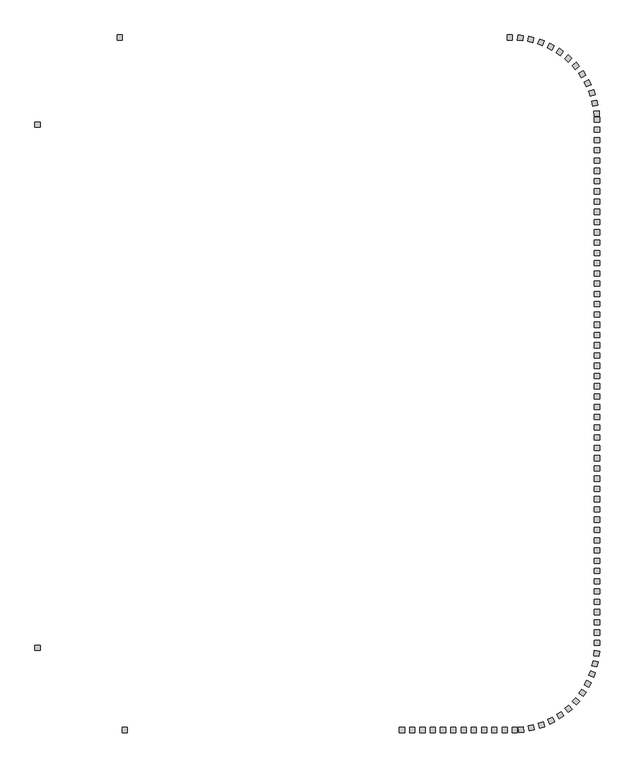
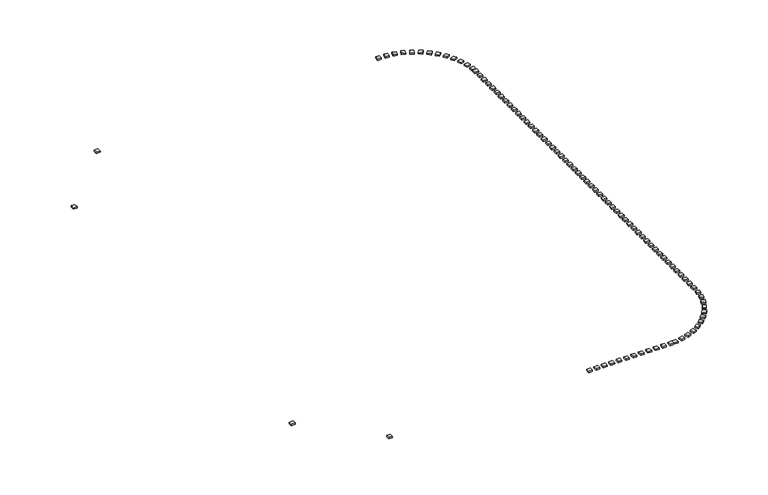
"""IFC4 building model written with IfcOpenShell, lengths in millimetres: railing geometry."""

from ifc_helpers import new_model, si_unit, origin, origin_with_axes, place, context, project, spatial, polyline, outline, extrude, source, transform, mapped, element, save


def railing_7f26f9a0(model_context):
    return source(origin(), model_context, "Body", "SweptSolid", [
        extrude(outline(polyline([(-42631.1414863, -127795.8215503), (-42631.1414863, -127295.8215503), (-42131.1414863, -127295.8215503), (-42131.1414863, -127795.8215503), (-42631.1414863, -127795.8215503)])), origin_with_axes(), (0.0, 0.0, 1.0), 200.0),
        extrude(outline(polyline([(-41631.1414863, -127795.8215503), (-41631.1414863, -127295.8215503), (-41131.1414863, -127295.8215503), (-41131.1414863, -127795.8215503), (-41631.1414863, -127795.8215503)])), origin_with_axes(), (0.0, 0.0, 1.0), 200.0),
        extrude(outline(polyline([(-40631.1414863, -127795.8215503), (-40631.1414863, -127295.8215503), (-40131.1414863, -127295.8215503), (-40131.1414863, -127795.8215503), (-40631.1414863, -127795.8215503)])), origin_with_axes(), (0.0, 0.0, 1.0), 200.0),
        extrude(outline(polyline([(-39631.1414863, -127795.8215503), (-39631.1414863, -127295.8215503), (-39131.1414863, -127295.8215503), (-39131.1414863, -127795.8215503), (-39631.1414863, -127795.8215503)])), origin_with_axes(), (0.0, 0.0, 1.0), 200.0),
        extrude(outline(polyline([(-38631.1414863, -127795.8215503), (-38631.1414863, -127295.8215503), (-38131.1414863, -127295.8215503), (-38131.1414863, -127795.8215503), (-38631.1414863, -127795.8215503)])), origin_with_axes(), (0.0, 0.0, 1.0), 200.0),
        extrude(outline(polyline([(-37631.1414863, -127795.8215503), (-37631.1414863, -127295.8215503), (-37131.1414863, -127295.8215503), (-37131.1414863, -127795.8215503), (-37631.1414863, -127795.8215503)])), origin_with_axes(), (0.0, 0.0, 1.0), 200.0),
        extrude(outline(polyline([(-36631.1414863, -127795.8215503), (-36631.1414863, -127295.8215503), (-36131.1414863, -127295.8215503), (-36131.1414863, -127795.8215503), (-36631.1414863, -127795.8215503)])), origin_with_axes(), (0.0, 0.0, 1.0), 200.0),
        extrude(outline(polyline([(-35631.1414863, -127795.8215503), (-35631.1414863, -127295.8215503), (-35131.1414863, -127295.8215503), (-35131.1414863, -127795.8215503), (-35631.1414863, -127795.8215503)])), origin_with_axes(), (0.0, 0.0, 1.0), 200.0),
        extrude(outline(polyline([(-34631.1414863, -127795.8215503), (-34631.1414863, -127295.8215503), (-34131.1414863, -127295.8215503), (-34131.1414863, -127795.8215503), (-34631.1414863, -127795.8215503)])), origin_with_axes(), (0.0, 0.0, 1.0), 200.0),
        extrude(outline(polyline([(-33631.1414863, -127795.8215503), (-33631.1414863, -127295.8215503), (-33131.1414863, -127295.8215503), (-33131.1414863, -127795.8215503), (-33631.1414863, -127795.8215503)])), origin_with_axes(), (0.0, 0.0, 1.0), 200.0),
        extrude(outline(polyline([(-32631.1414863, -127795.8215503), (-32631.1414863, -127295.8215503), (-32131.1414863, -127295.8215503), (-32131.1414863, -127795.8215503), (-32631.1414863, -127795.8215503)])), origin_with_axes(), (0.0, 0.0, 1.0), 200.0),
        extrude(outline(polyline([(-31029.8752721, -127774.5289364), (-31065.2438729, -127275.7814431), (-30566.4963796, -127240.4128423), (-30531.1277788, -127739.1603356), (-31029.8752721, -127774.5289364)])), origin_with_axes(), (0.0, 0.0, 1.0), 200.0),
        extrude(outline(polyline([(-29977.4859684, -127633.412535), (-30074.7598224, -127142.9660065), (-29584.3132938, -127045.6921525), (-29487.0394398, -127536.138681), (-29977.4859684, -127633.412535)])), origin_with_axes(), (0.0, 0.0, 1.0), 200.0),
        extrude(outline(polyline([(-28950.9014059, -127362.1908148), (-29108.5625871, -126887.6985051), (-28634.0702774, -126730.0373239), (-28476.4090962, -127204.5296336), (-28950.9014059, -127362.1908148)])), origin_with_axes(), (0.0, 0.0, 1.0), 200.0),
        extrude(outline(polyline([(-27966.1410935, -126965.0961001), (-28181.7293519, -126513.9623031), (-27730.5955548, -126298.3740447), (-27515.0072964, -126749.5078417), (-27966.1410935, -126965.0961001)])), origin_with_axes(), (0.0, 0.0, 1.0), 200.0),
        extrude(outline(polyline([(-27038.5718864, -126448.3249211), (-27308.7230393, -126027.5894287), (-26887.9875469, -125757.4382758), (-26617.836394, -126178.1737682), (-27038.5718864, -126448.3249211)])), origin_with_axes(), (0.0, 0.0, 1.0), 200.0),
        extrude(outline(polyline([(-26182.6681919, -125819.9413193), (-26503.166621, -125436.1695682), (-26119.3948698, -125115.6711391), (-25798.8964408, -125499.4428902), (-26182.6681919, -125819.9413193)])), origin_with_axes(), (0.0, 0.0, 1.0), 200.0),
        extrude(outline(polyline([(-25411.7861008, -125089.7510105), (-25777.6305353, -124748.9316305), (-25436.8111553, -124383.087196), (-25070.9667208, -124723.906576), (-25411.7861008, -125089.7510105)])), origin_with_axes(), (0.0, 0.0, 1.0), 200.0),
        extrude(outline(polyline([(-24737.9549705, -124269.1483703), (-25143.4365302, -123976.5997338), (-24850.8878938, -123571.118174), (-24445.406334, -123863.6668105), (-24737.9549705, -124269.1483703)])), origin_with_axes(), (0.0, 0.0, 1.0), 200.0),
        extrude(outline(polyline([(-24171.6897102, -123370.9386284), (-24610.4809911, -123131.2258591), (-24370.7682218, -122692.4345782), (-23931.9769409, -122932.1473475), (-24171.6897102, -123370.9386284)])), origin_with_axes(), (0.0, 0.0, 1.0), 200.0),
        extrude(outline(polyline([(-23721.8267, -122409.1380475), (-24187.080511, -122226.001783), (-24003.9442464, -121760.747972), (-23538.6904355, -121943.8842365), (-23721.8267, -122409.1380475)])), origin_with_axes(), (0.0, 0.0, 1.0), 200.0),
        extrude(outline(polyline([(-23395.3859017, -121398.7552039), (-23879.8421126, -121275.0532243), (-23756.140133, -120790.5970134), (-23271.6839221, -120914.2989931), (-23395.3859017, -121398.7552039)])), origin_with_axes(), (0.0, 0.0, 1.0), 200.0),
        extrude(outline(polyline([(-23197.4613148, -120355.556784), (-23693.5601484, -120293.2194173), (-23631.2227817, -119797.1205837), (-23135.1239481, -119859.4579504), (-23197.4613148, -120355.556784)])), origin_with_axes(), (0.0, 0.0, 1.0), 200.0),
        extrude(outline(polyline([(-23131.1414863, -118295.8215503), (-23631.1414863, -118295.8215503), (-23631.1414863, -117795.8215503), (-23131.1414863, -117795.8215503), (-23131.1414863, -118295.8215503)])), origin_with_axes(), (0.0, 0.0, 1.0), 200.0),
        extrude(outline(polyline([(-23131.1414863, -117295.8215503), (-23631.1414863, -117295.8215503), (-23631.1414863, -116795.8215503), (-23131.1414863, -116795.8215503), (-23131.1414863, -117295.8215503)])), origin_with_axes(), (0.0, 0.0, 1.0), 200.0),
        extrude(outline(polyline([(-23131.1414863, -116295.8215503), (-23631.1414863, -116295.8215503), (-23631.1414863, -115795.8215503), (-23131.1414863, -115795.8215503), (-23131.1414863, -116295.8215503)])), origin_with_axes(), (0.0, 0.0, 1.0), 200.0),
        extrude(outline(polyline([(-23131.1414863, -115295.8215503), (-23631.1414863, -115295.8215503), (-23631.1414863, -114795.8215503), (-23131.1414863, -114795.8215503), (-23131.1414863, -115295.8215503)])), origin_with_axes(), (0.0, 0.0, 1.0), 200.0),
        extrude(outline(polyline([(-23131.1414863, -114295.8215503), (-23631.1414863, -114295.8215503), (-23631.1414863, -113795.8215503), (-23131.1414863, -113795.8215503), (-23131.1414863, -114295.8215503)])), origin_with_axes(), (0.0, 0.0, 1.0), 200.0),
        extrude(outline(polyline([(-23131.1414863, -113295.8215503), (-23631.1414863, -113295.8215503), (-23631.1414863, -112795.8215503), (-23131.1414863, -112795.8215503), (-23131.1414863, -113295.8215503)])), origin_with_axes(), (0.0, 0.0, 1.0), 200.0),
        extrude(outline(polyline([(-23131.1414863, -112295.8215503), (-23631.1414863, -112295.8215503), (-23631.1414863, -111795.8215503), (-23131.1414863, -111795.8215503), (-23131.1414863, -112295.8215503)])), origin_with_axes(), (0.0, 0.0, 1.0), 200.0),
        extrude(outline(polyline([(-23131.1414863, -111295.8215503), (-23631.1414863, -111295.8215503), (-23631.1414863, -110795.8215503), (-23131.1414863, -110795.8215503), (-23131.1414863, -111295.8215503)])), origin_with_axes(), (0.0, 0.0, 1.0), 200.0),
        extrude(outline(polyline([(-23131.1414863, -110295.8215503), (-23631.1414863, -110295.8215503), (-23631.1414863, -109795.8215503), (-23131.1414863, -109795.8215503), (-23131.1414863, -110295.8215503)])), origin_with_axes(), (0.0, 0.0, 1.0), 200.0),
        extrude(outline(polyline([(-23131.1414863, -109295.8215503), (-23631.1414863, -109295.8215503), (-23631.1414863, -108795.8215503), (-23131.1414863, -108795.8215503), (-23131.1414863, -109295.8215503)])), origin_with_axes(), (0.0, 0.0, 1.0), 200.0),
        extrude(outline(polyline([(-23131.1414863, -108295.8215503), (-23631.1414863, -108295.8215503), (-23631.1414863, -107795.8215503), (-23131.1414863, -107795.8215503), (-23131.1414863, -108295.8215503)])), origin_with_axes(), (0.0, 0.0, 1.0), 200.0),
        extrude(outline(polyline([(-23131.1414863, -107295.8215503), (-23631.1414863, -107295.8215503), (-23631.1414863, -106795.8215503), (-23131.1414863, -106795.8215503), (-23131.1414863, -107295.8215503)])), origin_with_axes(), (0.0, 0.0, 1.0), 200.0),
        extrude(outline(polyline([(-23131.1414863, -106295.8215503), (-23631.1414863, -106295.8215503), (-23631.1414863, -105795.8215503), (-23131.1414863, -105795.8215503), (-23131.1414863, -106295.8215503)])), origin_with_axes(), (0.0, 0.0, 1.0), 200.0),
        extrude(outline(polyline([(-23131.1414863, -105295.8215503), (-23631.1414863, -105295.8215503), (-23631.1414863, -104795.8215503), (-23131.1414863, -104795.8215503), (-23131.1414863, -105295.8215503)])), origin_with_axes(), (0.0, 0.0, 1.0), 200.0),
        extrude(outline(polyline([(-23131.1414863, -104295.8215503), (-23631.1414863, -104295.8215503), (-23631.1414863, -103795.8215503), (-23131.1414863, -103795.8215503), (-23131.1414863, -104295.8215503)])), origin_with_axes(), (0.0, 0.0, 1.0), 200.0),
        extrude(outline(polyline([(-23131.1414863, -103295.8215503), (-23631.1414863, -103295.8215503), (-23631.1414863, -102795.8215503), (-23131.1414863, -102795.8215503), (-23131.1414863, -103295.8215503)])), origin_with_axes(), (0.0, 0.0, 1.0), 200.0),
        extrude(outline(polyline([(-23131.1414863, -102295.8215503), (-23631.1414863, -102295.8215503), (-23631.1414863, -101795.8215503), (-23131.1414863, -101795.8215503), (-23131.1414863, -102295.8215503)])), origin_with_axes(), (0.0, 0.0, 1.0), 200.0),
        extrude(outline(polyline([(-23131.1414863, -101295.8215503), (-23631.1414863, -101295.8215503), (-23631.1414863, -100795.8215503), (-23131.1414863, -100795.8215503), (-23131.1414863, -101295.8215503)])), origin_with_axes(), (0.0, 0.0, 1.0), 200.0),
        extrude(outline(polyline([(-23131.1414863, -100295.8215503), (-23631.1414863, -100295.8215503), (-23631.1414863, -99795.8215503), (-23131.1414863, -99795.8215503), (-23131.1414863, -100295.8215503)])), origin_with_axes(), (0.0, 0.0, 1.0), 200.0),
        extrude(outline(polyline([(-23131.1414863, -99295.8215503), (-23631.1414863, -99295.8215503), (-23631.1414863, -98795.8215503), (-23131.1414863, -98795.8215503), (-23131.1414863, -99295.8215503)])), origin_with_axes(), (0.0, 0.0, 1.0), 200.0),
        extrude(outline(polyline([(-23131.1414863, -98295.8215503), (-23631.1414863, -98295.8215503), (-23631.1414863, -97795.8215503), (-23131.1414863, -97795.8215503), (-23131.1414863, -98295.8215503)])), origin_with_axes(), (0.0, 0.0, 1.0), 200.0),
        extrude(outline(polyline([(-23131.1414863, -97295.8215503), (-23631.1414863, -97295.8215503), (-23631.1414863, -96795.8215503), (-23131.1414863, -96795.8215503), (-23131.1414863, -97295.8215503)])), origin_with_axes(), (0.0, 0.0, 1.0), 200.0),
        extrude(outline(polyline([(-23131.1414863, -96295.8215503), (-23631.1414863, -96295.8215503), (-23631.1414863, -95795.8215503), (-23131.1414863, -95795.8215503), (-23131.1414863, -96295.8215503)])), origin_with_axes(), (0.0, 0.0, 1.0), 200.0),
        extrude(outline(polyline([(-23131.1414863, -95295.8215503), (-23631.1414863, -95295.8215503), (-23631.1414863, -94795.8215503), (-23131.1414863, -94795.8215503), (-23131.1414863, -95295.8215503)])), origin_with_axes(), (0.0, 0.0, 1.0), 200.0),
        extrude(outline(polyline([(-23131.1414863, -94295.8215503), (-23631.1414863, -94295.8215503), (-23631.1414863, -93795.8215503), (-23131.1414863, -93795.8215503), (-23131.1414863, -94295.8215503)])), origin_with_axes(), (0.0, 0.0, 1.0), 200.0),
        extrude(outline(polyline([(-23131.1414863, -93295.8215503), (-23631.1414863, -93295.8215503), (-23631.1414863, -92795.8215503), (-23131.1414863, -92795.8215503), (-23131.1414863, -93295.8215503)])), origin_with_axes(), (0.0, 0.0, 1.0), 200.0),
        extrude(outline(polyline([(-23131.1414863, -92295.8215503), (-23631.1414863, -92295.8215503), (-23631.1414863, -91795.8215503), (-23131.1414863, -91795.8215503), (-23131.1414863, -92295.8215503)])), origin_with_axes(), (0.0, 0.0, 1.0), 200.0),
        extrude(outline(polyline([(-23131.1414863, -91295.8215503), (-23631.1414863, -91295.8215503), (-23631.1414863, -90795.8215503), (-23131.1414863, -90795.8215503), (-23131.1414863, -91295.8215503)])), origin_with_axes(), (0.0, 0.0, 1.0), 200.0),
        extrude(outline(polyline([(-23131.1414863, -90295.8215503), (-23631.1414863, -90295.8215503), (-23631.1414863, -89795.8215503), (-23131.1414863, -89795.8215503), (-23131.1414863, -90295.8215503)])), origin_with_axes(), (0.0, 0.0, 1.0), 200.0),
        extrude(outline(polyline([(-23131.1414863, -89295.8215503), (-23631.1414863, -89295.8215503), (-23631.1414863, -88795.8215503), (-23131.1414863, -88795.8215503), (-23131.1414863, -89295.8215503)])), origin_with_axes(), (0.0, 0.0, 1.0), 200.0),
        extrude(outline(polyline([(-23131.1414863, -88295.8215503), (-23631.1414863, -88295.8215503), (-23631.1414863, -87795.8215503), (-23131.1414863, -87795.8215503), (-23131.1414863, -88295.8215503)])), origin_with_axes(), (0.0, 0.0, 1.0), 200.0),
        extrude(outline(polyline([(-23131.1414863, -87295.8215503), (-23631.1414863, -87295.8215503), (-23631.1414863, -86795.8215503), (-23131.1414863, -86795.8215503), (-23131.1414863, -87295.8215503)])), origin_with_axes(), (0.0, 0.0, 1.0), 200.0),
        extrude(outline(polyline([(-23131.1414863, -86295.8215503), (-23631.1414863, -86295.8215503), (-23631.1414863, -85795.8215503), (-23131.1414863, -85795.8215503), (-23131.1414863, -86295.8215503)])), origin_with_axes(), (0.0, 0.0, 1.0), 200.0),
        extrude(outline(polyline([(-23131.1414863, -85295.8215503), (-23631.1414863, -85295.8215503), (-23631.1414863, -84795.8215503), (-23131.1414863, -84795.8215503), (-23131.1414863, -85295.8215503)])), origin_with_axes(), (0.0, 0.0, 1.0), 200.0),
        extrude(outline(polyline([(-23131.1414863, -84295.8215503), (-23631.1414863, -84295.8215503), (-23631.1414863, -83795.8215503), (-23131.1414863, -83795.8215503), (-23131.1414863, -84295.8215503)])), origin_with_axes(), (0.0, 0.0, 1.0), 200.0),
        extrude(outline(polyline([(-23131.1414863, -83295.8215503), (-23631.1414863, -83295.8215503), (-23631.1414863, -82795.8215503), (-23131.1414863, -82795.8215503), (-23131.1414863, -83295.8215503)])), origin_with_axes(), (0.0, 0.0, 1.0), 200.0),
        extrude(outline(polyline([(-23131.1414863, -82295.8215503), (-23631.1414863, -82295.8215503), (-23631.1414863, -81795.8215503), (-23131.1414863, -81795.8215503), (-23131.1414863, -82295.8215503)])), origin_with_axes(), (0.0, 0.0, 1.0), 200.0),
        extrude(outline(polyline([(-23131.1414863, -81295.8215503), (-23631.1414863, -81295.8215503), (-23631.1414863, -80795.8215503), (-23131.1414863, -80795.8215503), (-23131.1414863, -81295.8215503)])), origin_with_axes(), (0.0, 0.0, 1.0), 200.0),
        extrude(outline(polyline([(-23131.1414863, -80295.8215503), (-23631.1414863, -80295.8215503), (-23631.1414863, -79795.8215503), (-23131.1414863, -79795.8215503), (-23131.1414863, -80295.8215503)])), origin_with_axes(), (0.0, 0.0, 1.0), 200.0),
        extrude(outline(polyline([(-23131.1414863, -79295.8215503), (-23631.1414863, -79295.8215503), (-23631.1414863, -78795.8215503), (-23131.1414863, -78795.8215503), (-23131.1414863, -79295.8215503)])), origin_with_axes(), (0.0, 0.0, 1.0), 200.0),
        extrude(outline(polyline([(-23131.1414863, -78295.8215503), (-23631.1414863, -78295.8215503), (-23631.1414863, -77795.8215503), (-23131.1414863, -77795.8215503), (-23131.1414863, -78295.8215503)])), origin_with_axes(), (0.0, 0.0, 1.0), 200.0),
        extrude(outline(polyline([(-23131.1414863, -77295.8215503), (-23631.1414863, -77295.8215503), (-23631.1414863, -76795.8215503), (-23131.1414863, -76795.8215503), (-23131.1414863, -77295.8215503)])), origin_with_axes(), (0.0, 0.0, 1.0), 200.0),
        extrude(outline(polyline([(-23131.1414863, -76295.8215503), (-23631.1414863, -76295.8215503), (-23631.1414863, -75795.8215503), (-23131.1414863, -75795.8215503), (-23131.1414863, -76295.8215503)])), origin_with_axes(), (0.0, 0.0, 1.0), 200.0),
        extrude(outline(polyline([(-23131.1414863, -75295.8215503), (-23631.1414863, -75295.8215503), (-23631.1414863, -74795.8215503), (-23131.1414863, -74795.8215503), (-23131.1414863, -75295.8215503)])), origin_with_axes(), (0.0, 0.0, 1.0), 200.0),
        extrude(outline(polyline([(-23131.1414863, -74295.8215503), (-23631.1414863, -74295.8215503), (-23631.1414863, -73795.8215503), (-23131.1414863, -73795.8215503), (-23131.1414863, -74295.8215503)])), origin_with_axes(), (0.0, 0.0, 1.0), 200.0),
        extrude(outline(polyline([(-23131.1414863, -73295.8215503), (-23631.1414863, -73295.8215503), (-23631.1414863, -72795.8215503), (-23131.1414863, -72795.8215503), (-23131.1414863, -73295.8215503)])), origin_with_axes(), (0.0, 0.0, 1.0), 200.0),
        extrude(outline(polyline([(-23131.1414863, -72295.8215503), (-23631.1414863, -72295.8215503), (-23631.1414863, -71795.8215503), (-23131.1414863, -71795.8215503), (-23131.1414863, -72295.8215503)])), origin_with_axes(), (0.0, 0.0, 1.0), 200.0),
        extrude(outline(polyline([(-23131.1414863, -71295.8215503), (-23631.1414863, -71295.8215503), (-23631.1414863, -70795.8215503), (-23131.1414863, -70795.8215503), (-23131.1414863, -71295.8215503)])), origin_with_axes(), (0.0, 0.0, 1.0), 200.0),
        extrude(outline(polyline([(-23131.1414863, -70295.8215503), (-23631.1414863, -70295.8215503), (-23631.1414863, -69795.8215503), (-23131.1414863, -69795.8215503), (-23131.1414863, -70295.8215503)])), origin_with_axes(), (0.0, 0.0, 1.0), 200.0),
        extrude(outline(polyline([(-23131.1414863, -69295.8215503), (-23631.1414863, -69295.8215503), (-23631.1414863, -68795.8215503), (-23131.1414863, -68795.8215503), (-23131.1414863, -69295.8215503)])), origin_with_axes(), (0.0, 0.0, 1.0), 200.0),
        extrude(outline(polyline([(-23152.4341001, -67694.5553361), (-23651.1815934, -67729.9239369), (-23686.5501943, -67231.1764436), (-23187.802701, -67195.8078428), (-23152.4341001, -67694.5553361)])), origin_with_axes(), (0.0, 0.0, 1.0), 200.0),
        extrude(outline(polyline([(-23293.5505016, -66642.1660324), (-23783.9970301, -66739.4398864), (-23881.2708841, -66248.9933578), (-23390.8243556, -66151.7195038), (-23293.5505016, -66642.1660324)])), origin_with_axes(), (0.0, 0.0, 1.0), 200.0),
        extrude(outline(polyline([(-23564.7722217, -65615.5814699), (-24039.2645314, -65773.2426511), (-24196.9257126, -65298.7503414), (-23722.4334029, -65141.0891602), (-23564.7722217, -65615.5814699)])), origin_with_axes(), (0.0, 0.0, 1.0), 200.0),
        extrude(outline(polyline([(-23961.8669364, -64630.8211575), (-24413.0007335, -64846.4094159), (-24628.5889919, -64395.2756188), (-24177.4551948, -64179.6873604), (-23961.8669364, -64630.8211575)])), origin_with_axes(), (0.0, 0.0, 1.0), 200.0),
        extrude(outline(polyline([(-24478.6381154, -63703.2519504), (-24899.3736078, -63973.4031033), (-25169.5247607, -63552.6676109), (-24748.7892683, -63282.516458), (-24478.6381154, -63703.2519504)])), origin_with_axes(), (0.0, 0.0, 1.0), 200.0),
        extrude(outline(polyline([(-25107.0217173, -62847.3482559), (-25490.7934684, -63167.846685), (-25811.2918975, -62784.0749338), (-25427.5201463, -62463.5765048), (-25107.0217173, -62847.3482559)])), origin_with_axes(), (0.0, 0.0, 1.0), 200.0),
        extrude(outline(polyline([(-25837.2120261, -62076.4661648), (-26178.0314061, -62442.3105993), (-26543.8758405, -62101.4912193), (-26203.0564605, -61735.6467848), (-25837.2120261, -62076.4661648)])), origin_with_axes(), (0.0, 0.0, 1.0), 200.0),
        extrude(outline(polyline([(-26657.8146663, -61402.6350345), (-26950.3633027, -61808.1165942), (-27355.8448625, -61515.5679578), (-27063.296226, -61110.086398), (-26657.8146663, -61402.6350345)])), origin_with_axes(), (0.0, 0.0, 1.0), 200.0),
        extrude(outline(polyline([(-27556.0244081, -60836.3697742), (-27795.7371774, -61275.1610551), (-28234.5284584, -61035.4482858), (-27994.8156891, -60596.6570049), (-27556.0244081, -60836.3697742)])), origin_with_axes(), (0.0, 0.0, 1.0), 200.0),
        extrude(outline(polyline([(-28517.824989, -60386.506764), (-28700.9612536, -60851.760575), (-29166.2150645, -60668.6243104), (-28983.0788, -60203.3704995), (-28517.824989, -60386.506764)])), origin_with_axes(), (0.0, 0.0, 1.0), 200.0),
        extrude(outline(polyline([(-29528.2078326, -60060.0659657), (-29651.9098122, -60544.5221766), (-30136.3660231, -60420.820197), (-30012.6640435, -59936.3639861), (-29528.2078326, -60060.0659657)])), origin_with_axes(), (0.0, 0.0, 1.0), 200.0),
        extrude(outline(polyline([(-30571.4062525, -59862.1413788), (-30633.7436192, -60358.2402124), (-31129.8424528, -60295.9028457), (-31067.5050861, -59799.8040121), (-30571.4062525, -59862.1413788)])), origin_with_axes(), (0.0, 0.0, 1.0), 200.0),
        extrude(outline(polyline([(-31631.1414863, -59795.8215503), (-31631.1414863, -60295.8215503), (-32131.1414863, -60295.8215503), (-32131.1414863, -59795.8215503), (-31631.1414863, -59795.8215503)])), origin_with_axes(), (0.0, 0.0, 1.0), 200.0),
        extrude(outline(polyline([(-69631.1414863, -59795.8215503), (-69631.1414863, -60295.8215503), (-70131.1414863, -60295.8215503), (-70131.1414863, -59795.8215503), (-69631.1414863, -59795.8215503)])), origin_with_axes(), (0.0, 0.0, 1.0), 200.0),
        extrude(outline(polyline([(-78131.1414863, -68295.8215503), (-77631.1414863, -68295.8215503), (-77631.1414863, -68795.8215503), (-78131.1414863, -68795.8215503), (-78131.1414863, -68295.8215503)])), origin_with_axes(), (0.0, 0.0, 1.0), 200.0),
        extrude(outline(polyline([(-78131.1414863, -119295.8215503), (-77631.1414863, -119295.8215503), (-77631.1414863, -119795.8215503), (-78131.1414863, -119795.8215503), (-78131.1414863, -119295.8215503)])), origin_with_axes(), (0.0, 0.0, 1.0), 200.0),
        extrude(outline(polyline([(-69631.1414863, -127795.8215503), (-69631.1414863, -127295.8215503), (-69131.1414863, -127295.8215503), (-69131.1414863, -127795.8215503), (-69631.1414863, -127795.8215503)])), origin_with_axes(), (0.0, 0.0, 1.0), 200.0),
        extrude(outline(polyline([(-31631.1414863, -127795.8215503), (-31631.1414863, -127295.8215503), (-31131.1414863, -127295.8215503), (-31131.1414863, -127795.8215503), (-31631.1414863, -127795.8215503)])), origin_with_axes(), (0.0, 0.0, 1.0), 200.0),
        extrude(outline(polyline([(-23131.1414863, -119295.8215503), (-23631.1414863, -119295.8215503), (-23631.1414863, -118795.8215503), (-23131.1414863, -118795.8215503), (-23131.1414863, -119295.8215503)])), origin_with_axes(), (0.0, 0.0, 1.0), 200.0),
        extrude(outline(polyline([(-23131.1414863, -68295.8215503), (-23631.1414863, -68295.8215503), (-23631.1414863, -67795.8215503), (-23131.1414863, -67795.8215503), (-23131.1414863, -68295.8215503)])), origin_with_axes(), (0.0, 0.0, 1.0), 200.0),
    ])


if __name__ == "__main__":
    model = new_model("IFC4")
    model_context = context("Model", 3, world=origin())
    ifc_project = project(units=[si_unit("LENGTHUNIT", "METRE", prefix="MILLI")], contexts=[model_context])
    site = spatial("IfcSite", under=ifc_project)
    building = spatial("IfcBuilding", under=site)
    placement = place(None, origin())
    railing_shape = railing_7f26f9a0(model_context)
    element("IfcRailing", 1, at=placement, inside=building, context=model_context, shape_type="MappedRepresentation", body=[
        mapped(railing_shape, transform((0.0, 0.0, 0.0), x_axis=(1.0, 0.0, 0.0), y_axis=(0.0, 1.0, 0.0), z_axis=(0.0, 0.0, 1.0))),
    ])
    save(model, "model.ifc")
